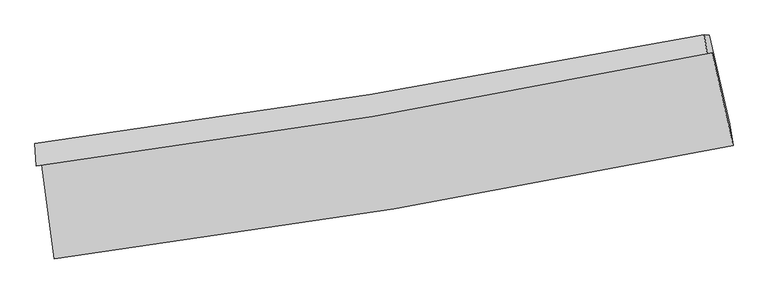
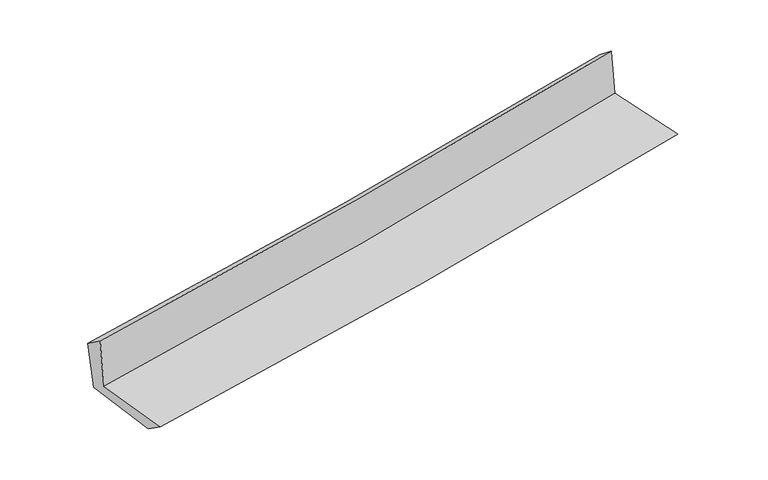
"""IFC4 building model written with IfcOpenShell, lengths in millimetres: proxy geometry."""

from ifc_helpers import new_model, si_unit, frame, origin, place, context, project, spatial, source, transform, mapped, element, save
from ifc_brep_helpers import plane_surface, spline_curve, spline_surface, advanced_brep


def generic_models_450950dd(model_context):
    return source(origin(), model_context, "Body", "AdvancedBrep", [
        advanced_brep(
        [(-2407.2406127, -1882.3857815, 1650.9979739), (-2317.887309, -2550.1564899, 1663.1896161), (2500.6755609, -1745.2749651, 2095.5663966), (2351.2258545, -1083.6191878, 2108.5687306), (-2443.9437588, -1890.4576771, 2073.6582314), (2316.71102, -1090.8930028, 2500.7139034), (-2455.0141903, -1731.4616968, 1956.6424064), (2296.5397059, -958.4392495, 2397.5756603), (-2416.9797059, -1752.7898968, 1563.6230675), (2331.5229555, -959.5256357, 2020.6714233), (-2329.2617812, -2392.2871135, 1551.2800678), (2476.2753348, -1594.0294546, 1992.6279108)],
        [
            (0, 1),
            (1, 2, spline_curve(3, [(-2317.887309, -2550.1564899, 1663.1896161), (-1511.535831177, -2447.411552218, 1737.997320676), (-707.663972015, -2329.141790003, 1811.358843432), (898.544887817, -2060.980908128, 1955.496822602), (1700.860651609, -1910.9568286, 2026.260893089), (2500.6755609, -1745.2749651, 2095.5663966)], [4, 2, 4], [0.0, 7.982710920484376, 15.999532251167045])),
            (2, 3),
            (3, 0, spline_curve(3, [(2351.2258545, -1083.6191878, 2108.5687306), (1561.749475409, -1249.520779813, 2034.936517885), (769.621366234, -1399.14273672, 1959.90524505), (-816.55664027, -1665.260027672, 1807.369779114), (-1610.584019944, -1781.893602092, 1729.877466401), (-2407.2406127, -1882.3857815, 1650.9979739)], [4, 2, 4], [0.0, 8.016821330682669, 15.999532251167045])),
            (4, 0),
            (3, 5),
            (5, 4, spline_curve(3, [(2316.71102, -1090.8930028, 2500.7139034), (1526.848100899, -1256.906982243, 2432.356853214), (734.343995668, -1406.651803453, 2362.51131683), (-852.563358362, -1673.035210189, 2220.146786276), (-1646.944179578, -1789.811946945, 2147.640432288), (-2443.9437588, -1890.4576771, 2073.6582314)], [4, 2, 4], [0.0, 7.969039348636765, 15.904171592467792])),
            (6, 4),
            (5, 7),
            (7, 6, spline_curve(3, [(2296.5397059, -958.4392495, 2397.5756603), (1506.835088062, -1111.864115735, 2321.878852861), (715.171609141, -1253.10650674, 2247.20986018), (-868.696323369, -1510.677207266, 2100.240836735), (-1660.884143214, -1627.108965338, 2027.932078023), (-2455.0141903, -1731.4616968, 1956.6424064)], [4, 2, 4], [0.0, 7.958290906468517, 15.88272044119135])),
            (8, 6),
            (7, 9),
            (9, 8, spline_curve(3, [(2331.5229555, -959.5256357, 2020.6714233), (1543.958475196, -1122.750538284, 1940.327950645), (753.618138473, -1270.576518582, 1861.991921511), (-829.239653684, -1534.867177522, 1709.659515737), (-1621.733537366, -1651.462617318, 1635.646093266), (-2416.9797059, -1752.7898968, 1563.6230675)], [4, 2, 4], [0.0, 7.949820087932862, 15.865814846222394])),
            (10, 8),
            (9, 11),
            (11, 10, spline_curve(3, [(2476.2753348, -1594.0294546, 1992.6279108), (1678.282756026, -1756.945692315, 1921.770689864), (877.966327693, -1905.035562275, 1849.48163486), (-723.899111104, -2170.995548684, 1702.353528614), (-1525.428387735, -2288.991565427, 1627.526635865), (-2329.2617812, -2392.2871135, 1551.2800678)], [4, 2, 4], [0.0, 7.9970667245491365, 15.960107091879426])),
            (1, 10),
            (11, 2),
        ],
        [
            spline_surface(3, 3, [[(-2407.2406127, -1882.3857815, 1650.9979739), (-1610.584020037, -1781.893602091, 1729.877466407), (-816.556640277, -1665.260027694, 1807.369779162), (769.621366241, -1399.142736697, 1959.905245002), (1561.749475542, -1249.520779874, 2034.936517799), (2351.2258545, -1083.6191878, 2108.5687306)], [(-2377.456178136, -2104.976017647, 1655.061854632), (-1577.567957092, -2003.732918772, 1732.584084485), (-780.259084141, -1886.553948474, 1808.699467277), (812.595873397, -1619.755460516, 1958.435770867), (1608.119867585, -1469.999462807, 2032.044642938), (2401.042423301, -1304.171113582, 2104.234619267)], [(-2347.671743564, -2327.566253753, 1659.125735368), (-1544.551894141, -2225.572235412, 1735.290702567), (-743.961528025, -2107.847869225, 1810.029155357), (855.570380533, -1840.368184308, 1956.966296696), (1654.490259627, -1690.478145693, 2029.152768075), (2450.858992099, -1524.723039318, 2099.900507933)], [(-2317.887309, -2550.1564899, 1663.1896161), (-1511.535831196, -2447.411552093, 1737.997320645), (-707.663971889, -2329.141790004, 1811.358843473), (898.544887689, -2060.980908127, 1955.49682256), (1700.86065167, -1910.956828626, 2026.260893213), (2500.6755609, -1745.2749651, 2095.5663966)]], [4, 4], [4, 2, 4], [0.0, 2.2094621734521365], [0.0, 7.982710920484376, 15.999532251167045]),
            spline_surface(3, 3, [[(-2443.9437588, -1890.4576771, 2073.6582314), (-1646.944179625, -1789.81194707, 2147.640432338), (-852.563358434, -1673.035210241, 2220.146786397), (734.34399574, -1406.651803401, 2362.511316709), (1526.848100819, -1256.90698216, 2432.356853308), (2316.71102, -1090.8930028, 2500.7139034)], [(-2431.709376778, -1887.767045226, 1932.771478898), (-1634.82412644, -1787.172498736, 2008.386110359), (-840.561119061, -1670.443482719, 2082.554450635), (746.103119228, -1404.14878116, 2228.30929279), (1538.481892386, -1254.444914733, 2299.88340814), (2328.215964826, -1088.468397801, 2369.998845801)], [(-2419.474994722, -1885.076413374, 1791.884726402), (-1622.704073222, -1784.533050425, 1869.131788387), (-828.55887965, -1667.851755217, 1944.962114923), (757.862242753, -1401.645758938, 2094.107268921), (1550.115683975, -1251.982847302, 2167.409962968), (2339.720909674, -1086.043792799, 2239.283788199)], [(-2407.2406127, -1882.3857815, 1650.9979739), (-1610.584020037, -1781.893602091, 1729.877466407), (-816.556640277, -1665.260027694, 1807.369779162), (769.621366241, -1399.142736697, 1959.905245002), (1561.749475542, -1249.520779874, 2034.936517799), (2351.2258545, -1083.6191878, 2108.5687306)]], [4, 4], [4, 2, 4], [0.0, 1.3428351759882737], [0.0, 7.935132243831027, 15.904171592467792]),
            spline_surface(3, 3, [[(-2455.0141903, -1731.4616968, 1956.6424064), (-1660.884143178, -1627.108965215, 2027.932078081), (-868.696323434, -1510.677207172, 2100.240836718), (715.171609206, -1253.106506835, 2247.209860197), (1506.835088135, -1111.864115805, 2321.878852909), (2296.5397059, -958.4392495, 2397.5756603)], [(-2451.324046441, -1784.460356892, 1995.647681385), (-1656.237488635, -1681.343292493, 2067.834862818), (-863.318668416, -1564.79654153, 2140.209486618), (721.562404736, -1304.288272358, 2285.643679041), (1513.506092356, -1160.211737913, 2358.704853055), (2303.26347726, -1002.59050059, 2431.95507468)], [(-2447.633902659, -1837.459017008, 2034.652956415), (-1651.590834168, -1735.577619793, 2107.737647601), (-857.941013453, -1618.915875883, 2180.178136497), (727.953200211, -1355.470037878, 2324.077497864), (1520.177096597, -1208.559360052, 2395.530853161), (2309.98724864, -1046.74175171, 2466.33448902)], [(-2443.9437588, -1890.4576771, 2073.6582314), (-1646.944179625, -1789.81194707, 2147.640432338), (-852.563358434, -1673.035210241, 2220.146786397), (734.34399574, -1406.651803401, 2362.511316709), (1526.848100819, -1256.90698216, 2432.356853308), (2316.71102, -1090.8930028, 2500.7139034)]], [4, 4], [4, 2, 4], [0.0, 0.6486024711468075], [0.0, 7.924429534722832, 15.88272044119135]),
            spline_surface(3, 3, [[(-2416.9797059, -1752.7898968, 1563.6230675), (-1621.733537307, -1651.462617383, 1635.646093329), (-829.239653582, -1534.86717744, 1709.659515853), (753.618138371, -1270.576518664, 1861.991921393), (1543.958475095, -1122.750538208, 1940.327950758), (2331.5229555, -959.5256357, 2020.6714233)], [(-2429.657867366, -1745.680496817, 1694.629513825), (-1634.783739264, -1643.344733344, 1766.408088271), (-842.391876858, -1526.803854018, 1839.853289477), (740.802628657, -1264.753181388, 1990.397900996), (1531.584012797, -1119.121730728, 2067.511584786), (2319.861872322, -959.163506954, 2146.306168945)], [(-2442.336028834, -1738.571096783, 1825.635960075), (-1647.833941222, -1635.226849254, 1897.170083139), (-855.544100158, -1518.740530594, 1970.047063095), (727.98711892, -1258.92984411, 2118.803880594), (1519.209550432, -1115.492923285, 2194.69521888), (2308.200789078, -958.801378246, 2271.940914655)], [(-2455.0141903, -1731.4616968, 1956.6424064), (-1660.884143178, -1627.108965215, 2027.932078081), (-868.696323434, -1510.677207172, 2100.240836718), (715.171609206, -1253.106506835, 2247.209860197), (1506.835088135, -1111.864115805, 2321.878852909), (2296.5397059, -958.4392495, 2397.5756603)]], [4, 4], [4, 2, 4], [0.0, 1.2808206933683841], [0.0, 7.915994758289532, 15.865814846222394]),
            spline_surface(3, 3, [[(-2329.2617812, -2392.2871135, 1551.2800678), (-1525.428387816, -2288.991565299, 1627.526635897), (-723.899110984, -2170.995548791, 1702.353528624), (877.966327573, -1905.035562168, 1849.481634849), (1678.282756057, -1756.945692364, 1921.770689811), (2476.2753348, -1594.0294546, 1992.6279108)], [(-2358.501089438, -2179.121374594, 1555.394401022), (-1557.530104318, -2076.481915988, 1630.233121697), (-759.012625202, -1958.952758353, 1704.788857708), (836.516931153, -1693.549214345, 1853.651730371), (1633.507995732, -1545.547307651, 1927.956443482), (2428.024541695, -1382.528181639, 2001.975748322)], [(-2387.740397662, -1965.955635706, 1559.508734278), (-1589.631820805, -1863.972266694, 1632.939607529), (-794.126139364, -1746.909967878, 1707.22418677), (795.06753479, -1482.062866486, 1857.821825872), (1588.73323542, -1334.148922921, 1934.142197087), (2379.773748605, -1171.026908661, 2011.323585778)], [(-2416.9797059, -1752.7898968, 1563.6230675), (-1621.733537307, -1651.462617383, 1635.646093329), (-829.239653582, -1534.86717744, 1709.659515853), (753.618138371, -1270.576518664, 1861.991921393), (1543.958475095, -1122.750538208, 1940.327950758), (2331.5229555, -959.5256357, 2020.6714233)]], [4, 4], [4, 2, 4], [0.0, 2.118341838718832], [0.0, 7.963040367330289, 15.960107091879426]),
            spline_surface(3, 3, [[(-2317.887309, -2550.1564899, 1663.1896161), (-1511.535831196, -2447.411552093, 1737.997320645), (-707.663971889, -2329.141790004, 1811.358843473), (898.544887689, -2060.980908127, 1955.49682256), (1700.86065167, -1910.956828626, 2026.260893213), (2500.6755609, -1745.2749651, 2095.5663966)], [(-2321.67879974, -2497.533364423, 1625.886433338), (-1516.16668341, -2394.604889818, 1701.173759067), (-713.075684923, -2276.42637625, 1775.023738512), (891.685367648, -2008.999126124, 1920.158426645), (1693.334686461, -1859.619783206, 1991.430825397), (2492.542152196, -1694.859794934, 2061.253567984)], [(-2325.47029046, -2444.910238977, 1588.583250562), (-1520.797535603, -2341.798227574, 1664.350197475), (-718.48739795, -2223.710962546, 1738.688633585), (884.825847614, -1957.017344171, 1884.820030764), (1685.808721266, -1808.282737784, 1956.600757628), (2484.408743504, -1644.444624766, 2026.940739416)], [(-2329.2617812, -2392.2871135, 1551.2800678), (-1525.428387816, -2288.991565299, 1627.526635897), (-723.899110984, -2170.995548791, 1702.353528624), (877.966327573, -1905.035562168, 1849.481634849), (1678.282756057, -1756.945692364, 1921.770689811), (2476.2753348, -1594.0294546, 1992.6279108)]], [4, 4], [4, 2, 4], [0.0, 0.627302596798007], [0.0, 8.01911702374509, 16.072500022274028]),
            plane_surface(frame((2378.8250719, -1238.6302493, 2185.9540042), z_axis=(0.9718825047213722, 0.2177609754547291, 0.08957987824013218), x_axis=(-0.09241971301612645, 0.0028700451098116774, 0.9957160034302374))),
            plane_surface(frame((-2395.0545597, -2033.2564426, 1743.2318938), z_axis=(-0.987084058977221, -0.13369166578052036, -0.08827003463171344), x_axis=(-0.1326046026270363, 0.9910038664416561, -0.018092983717841106))),
        ],
        [
            (0, [[1, 2, 3, 4]]),
            (1, [[5, -4, 6, 7]]),
            (2, [[8, -7, 9, 10]]),
            (3, [[11, -10, 12, 13]]),
            (4, [[14, -13, 15, 16]]),
            (5, [[17, -16, 18, -2]]),
            (6, [[-12, -9, -6, -3, -18, -15]]),
            (7, [[-1, -5, -8, -11, -14, -17]]),
        ],
    ),
    ])


if __name__ == "__main__":
    model = new_model("IFC4")
    model_context = context("Model", 3, world=origin())
    ifc_project = project(units=[si_unit("LENGTHUNIT", "METRE", prefix="MILLI")], contexts=[model_context])
    site = spatial("IfcSite", under=ifc_project)
    building = spatial("IfcBuilding", under=site)
    placement = place(None, origin())
    generic_models_shape = generic_models_450950dd(model_context)
    element("IfcBuildingElementProxy", 1, Name="Generic Models", at=placement, inside=building, context=model_context, shape_type="MappedRepresentation", body=[
        mapped(generic_models_shape, transform((0.0, 0.0, 0.0), x_axis=(1.0, 0.0, 0.0), y_axis=(0.0, 1.0, 0.0), z_axis=(0.0, 0.0, 1.0))),
    ])
    save(model, "model.ifc")
